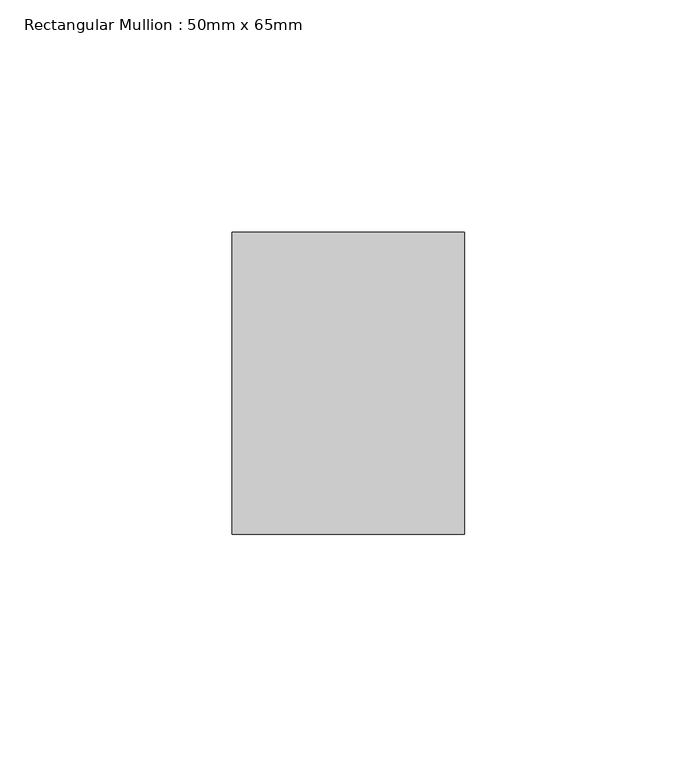
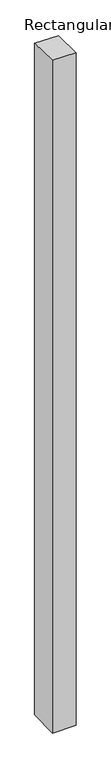
"""IFC4 building model written with IfcOpenShell, lengths in millimetres: member geometry, Rectangular Mullion : 50mm x 65mm."""

from ifc_helpers import new_model, si_unit, origin, place, context, project, spatial, faceted_brep, source, transform, mapped, element, save


def rectangular_mullion_50mm_x_65mm_a677d104(model_context):
    return source(origin(), model_context, "Body", "Brep", [
        faceted_brep([(-25.0, 32.5, -0.7127095), (25.0, 32.5, -0.7127055), (25.0, 32.5, -1499.1023215), (-25.0, 32.5, -1499.1023166), (-25.0, -32.5, 0.7127055), (-25.0, -32.5, -1500.8982429), (25.0, -32.5, 0.7127095), (25.0, -32.5, -1500.8982478)], [[[0, 1, 2, 3]], [[4, 0, 3, 5]], [[6, 4, 5, 7]], [[1, 6, 7, 2]], [[1, 0, 4, 6]], [[2, 7, 5, 3]]]),
    ])


if __name__ == "__main__":
    model = new_model("IFC4")
    model_context = context("Model", 3, world=origin())
    ifc_project = project(units=[si_unit("LENGTHUNIT", "METRE", prefix="MILLI")], contexts=[model_context])
    site = spatial("IfcSite", under=ifc_project)
    building = spatial("IfcBuilding", under=site)
    placement = place(None, origin())
    rectangular_mullion_50mm_x_65mm_shape = rectangular_mullion_50mm_x_65mm_a677d104(model_context)
    element("IfcMember", 1, ObjectType="Rectangular Mullion : 50mm x 65mm", at=placement, inside=building, context=model_context, shape_type="MappedRepresentation", body=[
        mapped(rectangular_mullion_50mm_x_65mm_shape, transform((0.0, 0.0, 0.0), x_axis=(1.0, 0.0, 0.0), y_axis=(0.0, 1.0, 0.0), z_axis=(0.0, 0.0, 1.0))),
    ])
    save(model, "model.ifc")
